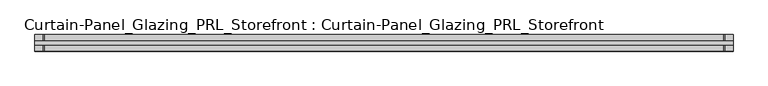
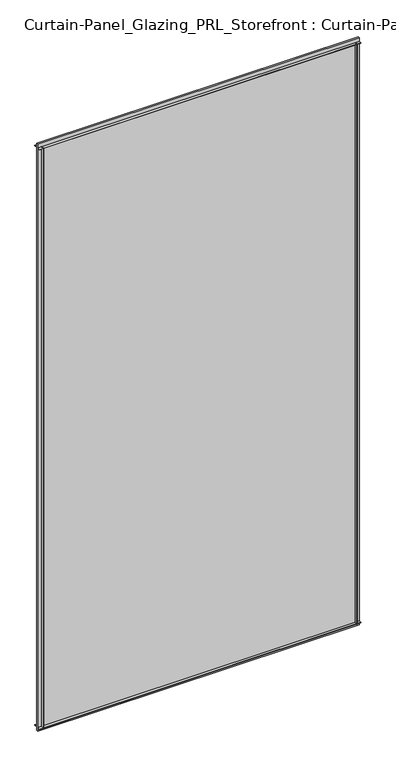
"""IFC4 building model written with IfcOpenShell, lengths in millimetres: plate geometry, Curtain-Panel_Glazing_PRL_Storefront : Curtain-Panel_Glazing_PRL_Storefront."""

from ifc_helpers import new_model, si_unit, frame, origin, origin_with_axes, place, context, project, spatial, polyline, outline, extrude, source, transform, mapped, element, save


def curtain_panel_glazing_prl_storefront_curtain_panel_glazing_1ebb1ae0(model_context):
    return source(origin(), model_context, "Body", "SweptSolid", [
        extrude(outline(polyline([(479.425, -12.7), (477.8375, -12.7), (477.8375, -3.175), (479.425, -3.175), (479.425, -12.7)])), frame((0.0, 0.0, 12.7), z_axis=(0.0, 0.0, 1.0), x_axis=(1.0, 0.0, 0.0)), (0.0, 0.0, 1.0), 2060.575),
        extrude(outline(polyline([(479.425, 12.7), (479.425, 3.175), (477.8375, 3.175), (477.8375, 12.7), (479.425, 12.7)])), frame((0.0, 0.0, 12.7), z_axis=(0.0, 0.0, 1.0), x_axis=(1.0, 0.0, 0.0)), (0.0, 0.0, 1.0), 2060.575),
        extrude(outline(polyline([(-577.85, -12.7), (-577.85, -3.175), (-576.2625, -3.175), (-576.2625, -12.7), (-577.85, -12.7)])), frame((0.0, 0.0, 12.7), z_axis=(0.0, 0.0, 1.0), x_axis=(1.0, 0.0, 0.0)), (0.0, 0.0, 1.0), 2060.575),
        extrude(outline(polyline([(-577.85, 12.7), (-576.2625, 12.7), (-576.2625, 3.175), (-577.85, 3.175), (-577.85, 12.7)])), frame((0.0, 0.0, 12.7), z_axis=(0.0, 0.0, 1.0), x_axis=(1.0, 0.0, 0.0)), (0.0, 0.0, 1.0), 2060.575),
        extrude(outline(polyline([(492.125, 3.175), (492.125, -3.175), (-590.55, -3.175), (-590.55, 3.175), (492.125, 3.175)])), origin_with_axes(), (0.0, 0.0, 1.0), 2085.975),
        extrude(outline(polyline([(-590.55, -12.7), (-590.55, -3.175), (492.125, -3.175), (492.125, -12.7), (-590.55, -12.7)])), frame((0.0, 0.0, 2071.6875), z_axis=(0.0, 0.0, 1.0), x_axis=(1.0, 0.0, 0.0)), (0.0, 0.0, 1.0), 1.5875),
        extrude(outline(polyline([(-590.55, 12.7), (492.125, 12.7), (492.125, 3.175), (-590.55, 3.175), (-590.55, 12.7)])), frame((0.0, 0.0, 2071.6875), z_axis=(0.0, 0.0, 1.0), x_axis=(1.0, 0.0, 0.0)), (0.0, 0.0, 1.0), 1.5875),
        extrude(outline(polyline([(-590.55, -12.7), (-590.55, -3.175), (492.125, -3.175), (492.125, -12.7), (-590.55, -12.7)])), frame((0.0, 0.0, 12.7), z_axis=(0.0, 0.0, 1.0), x_axis=(1.0, 0.0, 0.0)), (0.0, 0.0, 1.0), 1.5875),
        extrude(outline(polyline([(-590.55, 12.7), (492.125, 12.7), (492.125, 3.175), (-590.55, 3.175), (-590.55, 12.7)])), frame((0.0, 0.0, 12.7), z_axis=(0.0, 0.0, 1.0), x_axis=(1.0, 0.0, 0.0)), (0.0, 0.0, 1.0), 1.5875),
    ])


if __name__ == "__main__":
    model = new_model("IFC4")
    model_context = context("Model", 3, world=origin())
    ifc_project = project(units=[si_unit("LENGTHUNIT", "METRE", prefix="MILLI")], contexts=[model_context])
    site = spatial("IfcSite", under=ifc_project)
    building = spatial("IfcBuilding", under=site)
    placement = place(None, origin())
    curtain_panel_glazing_prl_storefront_curtain_panel_glazing_shape = curtain_panel_glazing_prl_storefront_curtain_panel_glazing_1ebb1ae0(model_context)
    element("IfcPlate", 1, ObjectType="Curtain-Panel_Glazing_PRL_Storefront : Curtain-Panel_Glazing_PRL_Storefront", at=placement, inside=building, context=model_context, shape_type="MappedRepresentation", body=[
        mapped(curtain_panel_glazing_prl_storefront_curtain_panel_glazing_shape, transform((0.0, 0.0, 0.0), x_axis=(1.0, 0.0, 0.0), y_axis=(0.0, 1.0, 0.0), z_axis=(0.0, 0.0, 1.0))),
    ])
    save(model, "model.ifc")
